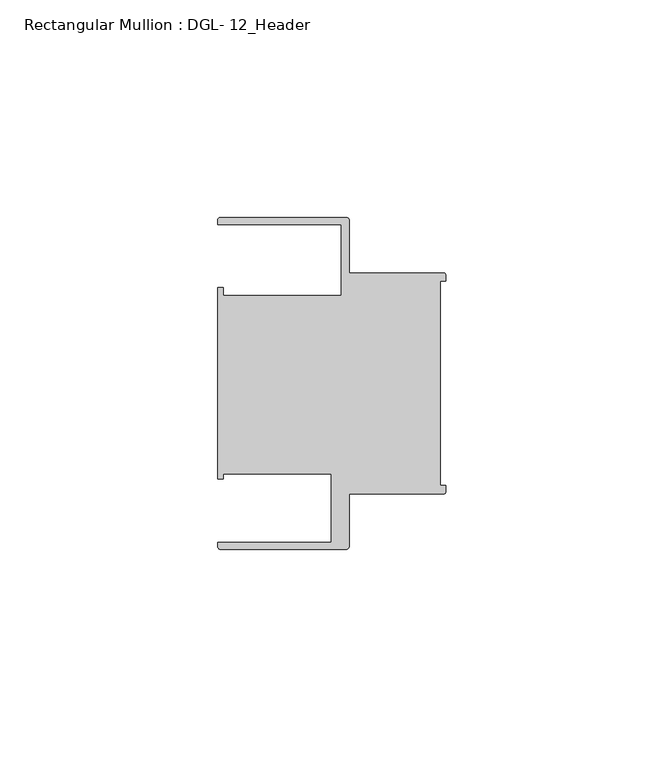
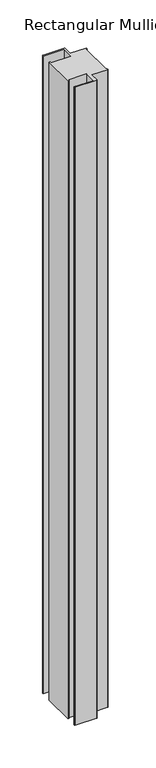
"""IFC4 building model written with IfcOpenShell, lengths in millimetres: member geometry, Rectangular Mullion : DGL- 12_Header."""

from ifc_helpers import new_model, si_unit, point, frame, frame_2d, origin, place, context, project, spatial, polyline, circle_curve, trimmed, segment, composite_curve, outline, extrude, source, transform, mapped, element, save


def rectangular_mullion_dgl_12_header_ed6be6df(model_context):
    return source(origin(), model_context, "Body", "SweptSolid", [
        extrude(outline(composite_curve([segment(trimmed(circle_curve(frame_2d((-0.5953125, 24.8046875)), 0.5953125), [point((-0.5953125, 25.4))], [point((0.0, 24.8046875))], False, "CARTESIAN"), True, "CONTINUOUS"), segment(polyline([(0.0, 24.8046875), (0.0, 23.4882401), (-1.30175, 23.4882401), (-1.30175, -23.4882401), (0.0, -23.4882401), (0.0, -24.8046875)]), True, "CONTINUOUS"), segment(trimmed(circle_curve(frame_2d((-0.5953125, -24.8046875)), 0.5953125), [point((0.0, -24.8046875))], [point((-0.5953125, -25.4))], False, "CARTESIAN"), True, "CONTINUOUS"), segment(polyline([(-0.5953125, -25.4), (-22.2332076, -25.4), (-22.2332076, -37.5047035)]), True, "CONTINUOUS"), segment(trimmed(circle_curve(frame_2d((-22.8285201, -37.5047035)), 0.5953125), [point((-22.2332076, -37.5047035))], [point((-22.8285201, -38.100016))], False, "CARTESIAN"), True, "CONTINUOUS"), segment(polyline([(-22.8285201, -38.100016), (-51.7968699, -38.100016)]), True, "CONTINUOUS"), segment(trimmed(circle_curve(frame_2d((-51.7968699, -37.5047035)), 0.5953125), [point((-51.7968699, -38.100016))], [point((-52.3921824, -37.5047035))], False, "CARTESIAN"), True, "CONTINUOUS"), segment(polyline([(-52.3921824, -37.5047035), (-52.3921824, -36.512516), (-26.3720794, -36.512516), (-26.3720794, -20.8257348), (-51.1280305, -20.8257348), (-51.1280305, -21.9710976), (-52.3948122, -21.9710976), (-52.3948122, 21.9710976), (-51.1280305, 21.9710976), (-51.1280305, 20.1823589), (-24.0747075, 20.1823589), (-24.0747075, 36.5123462), (-52.3921824, 36.5123462), (-52.3921824, 37.5043667)]), True, "CONTINUOUS"), segment(trimmed(circle_curve(frame_2d((-51.7968699, 37.5043667)), 0.5953125), [point((-52.3921824, 37.5043667))], [point((-51.7968699, 38.0996792))], False, "CARTESIAN"), True, "CONTINUOUS"), segment(polyline([(-51.7968699, 38.0996792), (-22.8285201, 38.0996792)]), True, "CONTINUOUS"), segment(trimmed(circle_curve(frame_2d((-22.8285201, 37.5043667)), 0.5953125), [point((-22.8285201, 38.0996792))], [point((-22.2332076, 37.5043667))], False, "CARTESIAN"), True, "CONTINUOUS"), segment(polyline([(-22.2332076, 37.5043667), (-22.2332076, 25.4), (-0.5953125, 25.4)]), True, "CONTINUOUS")], self_intersect=False)), frame((0.0, 0.0, -914.4), z_axis=(0.0, 0.0, 1.0), x_axis=(1.0, 0.0, 0.0)), (0.0, 0.0, 1.0), 914.4),
    ])


if __name__ == "__main__":
    model = new_model("IFC4")
    model_context = context("Model", 3, world=origin())
    ifc_project = project(units=[si_unit("LENGTHUNIT", "METRE", prefix="MILLI")], contexts=[model_context])
    site = spatial("IfcSite", under=ifc_project)
    building = spatial("IfcBuilding", under=site)
    placement = place(None, origin())
    rectangular_mullion_dgl_12_header_shape = rectangular_mullion_dgl_12_header_ed6be6df(model_context)
    element("IfcMember", 1, ObjectType="Rectangular Mullion : DGL- 12_Header", at=placement, inside=building, context=model_context, shape_type="MappedRepresentation", body=[
        mapped(rectangular_mullion_dgl_12_header_shape, transform((0.0, 0.0, 0.0), x_axis=(1.0, 0.0, 0.0), y_axis=(0.0, 1.0, 0.0), z_axis=(0.0, 0.0, 1.0))),
    ])
    save(model, "model.ifc")
